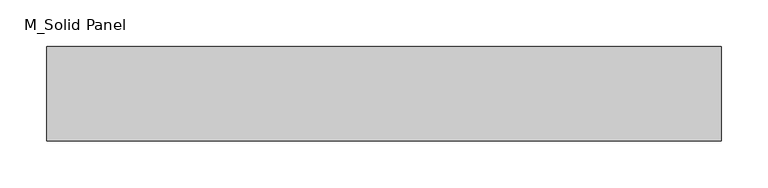
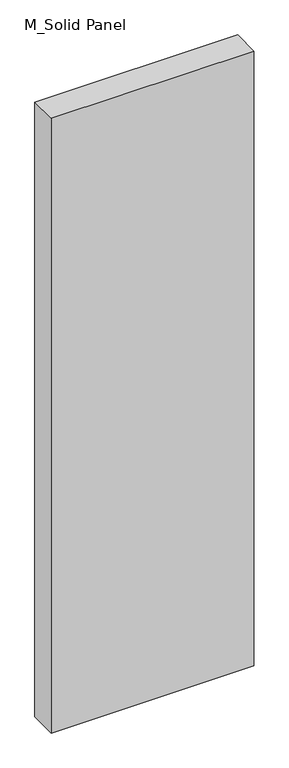
"""IFC4 building model written with IfcOpenShell, lengths in millimetres: plate geometry, M_Solid Panel."""

from ifc_helpers import new_model, si_unit, origin, origin_with_axes, place, context, project, spatial, polyline, outline, extrude, source, transform, mapped, element, save


def m_solid_panel_17cce9cc(model_context):
    return source(origin(), model_context, "Body", "SweptSolid", [
        extrude(outline(polyline([(362.5, 25.4), (-362.5, 25.4), (-362.5, 127.0), (362.5, 127.0), (362.5, 25.4)])), origin_with_axes(), (0.0, 0.0, 1.0), 2325.0),
    ])


if __name__ == "__main__":
    model = new_model("IFC4")
    model_context = context("Model", 3, world=origin())
    ifc_project = project(units=[si_unit("LENGTHUNIT", "METRE", prefix="MILLI")], contexts=[model_context])
    site = spatial("IfcSite", under=ifc_project)
    building = spatial("IfcBuilding", under=site)
    placement = place(None, origin())
    m_solid_panel_shape = m_solid_panel_17cce9cc(model_context)
    element("IfcPlate", 1, ObjectType="M_Solid Panel", at=placement, inside=building, context=model_context, shape_type="MappedRepresentation", body=[
        mapped(m_solid_panel_shape, transform((0.0, 0.0, 0.0), x_axis=(1.0, 0.0, 0.0), y_axis=(0.0, 1.0, 0.0), z_axis=(0.0, 0.0, 1.0))),
    ])
    save(model, "model.ifc")
